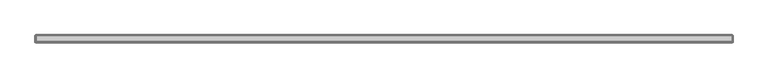
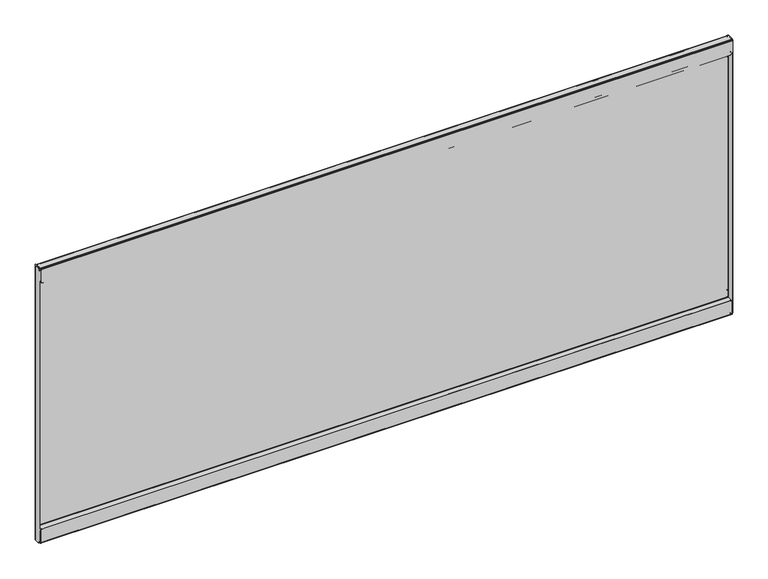
"""IFC4 building model written with IfcOpenShell, lengths in millimetres: furniture geometry."""

from ifc_helpers import new_model, si_unit, origin, place, context, project, spatial, triangles, source, transform, mapped, element, save


def furniture_d50543dd(model_context):
    return source(origin(), model_context, "Body", "Tessellation", [
        triangles([(36.8807998, -16.4083996, 220.7005912), (36.8807998, -15.6717996, 220.7005912), (36.1188005, -15.6717996, 220.4964249), (36.1188005, -16.4083996, 220.4964249), (35.5609767, -15.6717996, 219.9385919), (35.5609767, -16.4083996, 219.9385919), (35.356799, -15.6717996, 219.1765926), (35.356799, -16.4083996, 219.1765926), (35.356799, -16.4083996, 208.7372044), (35.356799, -15.6717996, 208.7372044), (35.356799, -15.8691713, 208.0006033), (35.356799, -16.5070854, 208.3688948), (35.356799, -16.4083996, 207.4613739), (35.356799, -16.7767001, 208.0992891), (35.356799, -17.1449995, 208.0006033), (35.356799, -17.1449995, 207.2640022), (1183.8940155, -15.6717996, 208.7372044), (1183.8940155, -15.8691713, 208.0006033), (1183.8940155, -16.4083996, 207.4613739), (1183.8940155, -17.1449995, 207.2640022), (1182.3699806, -16.4083996, 220.7005912), (1182.3699806, -15.6717996, 220.7005912), (1183.1319981, -15.6717996, 220.4964249), (1183.1319981, -16.4083996, 220.4964249), (1183.6898129, -15.6717996, 219.9385919), (1183.6898129, -16.4083996, 219.9385919), (1183.8940155, -15.6717996, 219.1765926), (1183.8940155, -16.4083996, 219.1765926), (1183.8940155, -16.4083996, 208.7372044), (1183.8940155, -16.5070854, 208.3688948), (1183.8940155, -16.7767001, 208.0992891), (1183.8940155, -17.1449995, 208.0006033), (35.356799, -25.4253989, 208.0006033), (35.356799, -25.4253989, 207.2640022), (35.356799, -25.7936995, 207.1653163), (35.356799, -26.162, 207.8032316), (35.356799, -26.0633142, 206.8956925), (35.356799, -26.7012295, 207.2640022), (35.356799, -26.162, 206.5274011), (35.356799, -26.8985989, 206.5274011), (1183.8940155, -25.4253989, 207.2640022), (1183.8940155, -25.7936995, 207.1653163), (1183.8940155, -26.0633142, 206.8956925), (1183.8940155, -26.162, 206.5274011), (1183.8940155, -25.4253989, 208.0006033), (1183.8940155, -26.162, 207.8032316), (1183.8940155, -26.7012295, 207.2640022), (1183.8940155, -26.8985989, 206.5274011), (35.356799, -26.162, 186.613791), (35.356799, -26.8985989, 186.613791), (35.356799, -26.7012295, 185.877208), (35.356799, -26.0633142, 186.2454995), (35.356799, -26.162, 185.3379786), (35.356799, -25.7936995, 185.9758939), (35.356799, -25.4253989, 185.1406069), (35.356799, -25.4253989, 185.877208), (1183.8940155, -26.8985989, 186.613791), (1183.8940155, -26.7012295, 185.877208), (1183.8940155, -26.162, 185.3379786), (1183.8940155, -25.4253989, 185.1406069), (1183.8940155, -26.162, 186.613791), (1183.8940155, -26.0633142, 186.2454995), (1183.8940155, -25.7936995, 185.9758939), (1183.8940155, -25.4253989, 185.877208), (35.356799, -16.4083996, 186.613791), (35.356799, -15.6717996, 186.613791), (35.356799, -15.8691713, 185.877208), (35.356799, -16.5070854, 186.2454995), (35.356799, -16.4083996, 185.3379786), (35.356799, -16.7767001, 185.9758939), (35.356799, -17.1449995, 185.877208), (35.356799, -17.1449995, 185.1406069), (1183.8940155, -15.6717996, 186.613791), (1183.8940155, -15.8691713, 185.877208), (1183.8940155, -16.4083996, 185.3379786), (1183.8940155, -17.1449995, 185.1406069), (1183.8940155, -16.4083996, 186.613791), (1183.8940155, -16.5070854, 186.2454995), (1183.8940155, -16.7767001, 185.9758939), (1183.8940155, -17.1449995, 185.877208), (35.356799, -16.4083996, 193.1416084), (35.356799, -15.6717996, 193.1416084), (35.5609767, -15.6717996, 193.9036077), (35.5609767, -16.4083996, 193.9036077), (36.1188005, -15.6717996, 194.4614224), (36.1188005, -16.4083996, 194.4614224), (36.8807998, -15.6717996, 194.6656069), (36.8807998, -16.4083996, 194.6656069), (1183.8940155, -16.4083996, 193.1416084), (1183.6898129, -16.4083996, 193.9036077), (1183.1319981, -16.4083996, 194.4614224), (1182.3699806, -16.4083996, 194.6656069), (1183.8940155, -15.6717996, 193.1416084), (1183.6898129, -15.6717996, 193.9036077), (1183.1319981, -15.6717996, 194.4614224), (1182.3699806, -15.6717996, 194.6656069), (36.1188005, -16.4083996, 630.9115625), (36.1188005, -15.6717996, 630.9115625), (36.8807998, -15.6717996, 630.7074326), (36.8807998, -16.4083996, 630.7074326), (35.5609767, -16.4083996, 631.4693773), (35.5609767, -15.6717996, 631.4693773), (35.356799, -16.4083996, 632.2313948), (35.356799, -15.6717996, 632.2313948), (35.356799, -16.5070854, 643.0390926), (35.356799, -15.8691713, 643.4073841), (35.356799, -16.4083996, 642.6708012), (35.356799, -15.6717996, 642.6708012), (35.356799, -16.7767001, 643.3086983), (35.356799, -16.4083996, 643.9465954), (35.356799, -17.1449995, 643.4073841), (35.356799, -17.1449995, 644.1439671), (1183.8940155, -15.8691713, 643.4073841), (1183.8940155, -15.6717996, 642.6708012), (1183.8940155, -16.4083996, 643.9465954), (1183.8940155, -17.1449995, 644.1439671), (1183.1319981, -16.4083996, 630.9115625), (1183.1319981, -15.6717996, 630.9115625), (1182.3699806, -15.6717996, 630.7074326), (1182.3699806, -16.4083996, 630.7074326), (1183.6898129, -16.4083996, 631.4693773), (1183.6898129, -15.6717996, 631.4693773), (1183.8940155, -16.4083996, 632.2313948), (1183.8940155, -15.6717996, 632.2313948), (1183.8940155, -16.5070854, 643.0390926), (1183.8940155, -16.4083996, 642.6708012), (1183.8940155, -16.7767001, 643.3086983), (1183.8940155, -17.1449995, 643.4073841), (35.356799, -26.162, 643.6047558), (35.356799, -25.7936995, 644.2426529), (35.356799, -25.4253989, 644.1439671), (35.356799, -25.4253989, 643.4073841), (35.356799, -26.7012295, 644.1439671), (35.356799, -26.0633142, 644.5123312), (35.356799, -26.8985989, 644.8806227), (35.356799, -26.162, 644.8806227), (1183.8940155, -25.7936995, 644.2426529), (1183.8940155, -25.4253989, 644.1439671), (1183.8940155, -26.0633142, 644.5123312), (1183.8940155, -26.162, 644.8806227), (1183.8940155, -26.162, 643.6047558), (1183.8940155, -25.4253989, 643.4073841), (1183.8940155, -26.7012295, 644.1439671), (1183.8940155, -26.8985989, 644.8806227), (35.356799, -26.0633142, 665.1625242), (35.356799, -26.7012295, 665.5308157), (35.356799, -26.162, 664.7942327), (35.356799, -26.8985989, 664.7942327), (35.356799, -25.7936995, 665.4321299), (35.356799, -26.162, 666.070027), (35.356799, -25.4253989, 665.5308157), (35.356799, -25.4253989, 666.2673986), (1183.8940155, -26.7012295, 665.5308157), (1183.8940155, -26.8985989, 664.7942327), (1183.8940155, -26.162, 666.070027), (1183.8940155, -25.4253989, 666.2673986), (1183.8940155, -26.0633142, 665.1625242), (1183.8940155, -26.162, 664.7942327), (1183.8940155, -25.7936995, 665.4321299), (1183.8940155, -25.4253989, 665.5308157), (35.356799, -16.5070854, 665.1625242), (35.356799, -15.8691713, 665.5308157), (35.356799, -16.4083996, 664.7942327), (35.356799, -15.6717996, 664.7942327), (35.356799, -16.7767001, 665.4321299), (35.356799, -16.4083996, 666.070027), (35.356799, -17.1449995, 665.5308157), (35.356799, -17.1449995, 666.2673986), (1183.8940155, -15.8691713, 665.5308157), (1183.8940155, -15.6717996, 664.7942327), (1183.8940155, -16.4083996, 666.070027), (1183.8940155, -17.1449995, 666.2673986), (1183.8940155, -16.5070854, 665.1625242), (1183.8940155, -16.4083996, 664.7942327), (1183.8940155, -16.7767001, 665.4321299), (1183.8940155, -17.1449995, 665.5308157), (35.5609767, -16.4083996, 657.5044161), (35.5609767, -15.6717996, 657.5044161), (35.356799, -15.6717996, 658.2664335), (35.356799, -16.4083996, 658.2664335), (36.1188005, -16.4083996, 656.9466013), (36.1188005, -15.6717996, 656.9466013), (36.8807998, -16.4083996, 656.7423986), (36.8807998, -15.6717996, 656.7423986), (1183.6898129, -16.4083996, 657.5044161), (1183.8940155, -16.4083996, 658.2664335), (1183.1319981, -16.4083996, 656.9466013), (1182.3699806, -16.4083996, 656.7423986), (1183.6898129, -15.6717996, 657.5044161), (1183.8940155, -15.6717996, 658.2664335), (1183.1319981, -15.6717996, 656.9466013), (1182.3699806, -15.6717996, 656.7423986), (33.2994005, -24.4602007, 667.0039816), (34.0359993, -24.4602007, 667.0039816), (33.2994005, -26.0476992, 666.5786442), (34.0359993, -26.0476992, 666.5786442), (33.2994005, -27.2098308, 665.4165058), (34.0359993, -27.2098308, 665.4165058), (33.2994005, -27.6352, 663.82903), (34.0359993, -27.6352, 663.82903), (34.0359993, -16.4338, 667.0039816), (33.2994005, -16.4338, 667.0039816), (34.1380893, -16.0528004, 667.0039816), (33.500174, -15.6844998, 667.0039816), (34.416999, -15.7738884, 667.0039816), (34.0487007, -15.1359743, 667.0039816), (34.7980009, -14.9351996, 667.0039816), (34.7980009, -15.6717996, 667.0039816), (34.7980009, -16.4338, 667.0039816), (34.7980009, -16.4338, 666.2673986), (34.7980009, -27.0763996, 667.0039816), (34.7980009, -27.0763996, 666.2673986), (34.7980009, -27.4573992, 666.1652973), (34.7980009, -27.8256998, 666.8031944), (34.7980009, -27.7363112, 665.8863899), (34.7980009, -28.3742265, 666.2546814), (34.7980009, -27.8383989, 665.5053812), (34.7980009, -28.575, 665.5053812), (34.7980009, -28.575, 644.77903), (34.7980009, -27.8383989, 644.77903), (35.2233701, -27.8383989, 643.1914816), (35.2233701, -28.575, 643.1914816), (36.3854994, -27.8383989, 642.0293432), (36.3854994, -28.575, 642.0293432), (37.9730001, -27.8383989, 641.6040058), (37.9730001, -28.575, 641.6040058), (1183.8940155, -27.8383989, 644.77903), (1183.4686054, -27.8383989, 643.1914816), (1182.3064671, -27.8383989, 642.0293432), (1180.7189913, -27.8383989, 641.6040058), (1183.8940155, -28.575, 644.77903), (1183.4686054, -28.575, 643.1914816), (1182.3064671, -28.575, 642.0293432), (1180.7189913, -28.575, 641.6040058), (1183.8940155, -27.0763996, 666.2673986), (1183.8940155, -27.4573992, 666.1652973), (1183.8940155, -27.7363112, 665.8863899), (1183.8940155, -27.8383989, 665.5053812), (1183.8940155, -27.0763996, 667.0039816), (1183.8940155, -27.8256998, 666.8031944), (1183.8940155, -28.3742265, 666.2546814), (1183.8940155, -28.575, 665.5053812), (1183.8940155, -16.4338, 666.2673986), (1183.8940155, -16.4338, 667.0039816), (1183.8940155, -16.0676296, 666.9585629), (1183.8940155, -16.2476116, 666.2442896), (1183.8940155, -15.9498418, 666.0940081), (1183.8940155, -15.482014, 666.6629414), (1183.8940155, -15.7448079, 665.8308701), (1183.8940155, -15.0787819, 666.1455311), (1183.8940155, -15.6717996, 665.5053812), (1183.8940155, -14.9351996, 665.5053812), (34.7980009, -16.0676296, 666.9585629), (34.7980009, -16.2476116, 666.2442896), (34.7980009, -15.9498418, 666.0940081), (34.7980009, -15.482014, 666.6629414), (34.7980009, -15.7448079, 665.8308701), (34.7980009, -15.0787819, 666.1455311), (34.7980009, -15.6717996, 665.5053812), (34.7980009, -14.9351996, 665.5053812), (1183.8940155, -15.6717996, 185.9026062), (34.7980009, -15.6717996, 185.9026062), (1183.8940155, -14.9351996, 185.9026062), (34.7980009, -14.9351996, 185.9026062), (1183.8940155, -14.9351996, 667.0039816), (1183.8940155, -15.6717996, 667.0039816), (1185.3926159, -16.4338, 667.0039816), (1184.6560329, -16.4338, 667.0039816), (1184.5539316, -16.0528004, 667.0039816), (1185.1918287, -15.6844998, 667.0039816), (1184.2750242, -15.7738884, 667.0039816), (1184.6433157, -15.1359743, 667.0039816), (1184.6560329, -16.4338, 184.4040058), (1184.5539316, -16.0528004, 184.4040058), (1184.2750242, -15.7738884, 184.4040058), (1183.8940155, -15.6717996, 184.4040058), (1185.3926159, -16.4338, 184.4040058), (1185.1918287, -15.6844998, 184.4040058), (1184.6433157, -15.1359743, 184.4040058), (1183.8940155, -14.9351996, 184.4040058), (1183.8940155, -16.0861389, 184.4448827), (1183.8940155, -16.2570235, 185.1613905), (1183.8940155, -15.9548492, 185.309928), (1183.8940155, -15.4918619, 184.7370342), (1183.8940155, -15.7461932, 185.5742105), (1183.8940155, -15.081507, 185.2567699), (34.7980009, -16.2570235, 185.1613905), (34.7980009, -15.9548492, 185.309928), (34.7980009, -15.7461932, 185.5742105), (34.7980009, -15.081507, 185.2567699), (34.7980009, -15.4918619, 184.7370342), (34.7980009, -16.0861389, 184.4448827), (1183.8940155, -16.4338, 184.4040058), (34.7980009, -16.4338, 184.4040058), (34.7980009, -16.4338, 185.1406069), (1183.8940155, -16.4338, 185.1406069), (1183.8940155, -27.0763996, 185.1406069), (1183.8940155, -27.0763996, 184.4040058), (34.7980009, -27.0763996, 185.1406069), (34.7980009, -27.0763996, 184.4040058), (34.7980009, -27.8383989, 185.9026062), (34.7980009, -28.575, 185.9026062), (34.7980009, -28.3742265, 185.153306), (34.7980009, -27.7363112, 185.5215975), (34.7980009, -27.8256998, 184.6047748), (34.7980009, -27.4573992, 185.2426901), (1183.8940155, -27.8383989, 185.9026062), (1183.8940155, -27.7363112, 185.5215975), (1183.8940155, -27.4573992, 185.2426901), (1183.8940155, -28.575, 185.9026062), (1183.8940155, -28.3742265, 185.153306), (1183.8940155, -27.8256998, 184.6047748), (1185.3926159, -24.4602007, 184.4040058), (1184.6560329, -24.4602007, 184.4040058), (1185.3926159, -26.0476992, 184.8293614), (1184.6560329, -26.0476992, 184.8293614), (1185.3926159, -27.2098308, 185.9914998), (1184.6560329, -27.2098308, 185.9914998), (1185.3926159, -27.6352, 187.5789937), (1184.6560329, -27.6352, 187.5789937), (1184.6560329, -27.6352, 663.82903), (1184.6560329, -27.2098308, 665.4165058), (1184.6560329, -26.0476992, 666.5786442), (1184.6560329, -24.4602007, 667.0039816), (1185.3926159, -27.6352, 663.82903), (1185.3926159, -27.2098308, 665.4165058), (1185.3926159, -26.0476992, 666.5786442), (1185.3926159, -24.4602007, 667.0039816), (1183.8940155, -28.575, 206.6289937), (1183.8940155, -27.8383989, 206.6289937), (1180.7189913, -27.8383989, 209.8039998), (37.9730001, -27.8383989, 209.8039998), (37.9730001, -28.575, 209.8039998), (1180.7189913, -28.575, 209.8039998), (36.3854994, -27.8383989, 209.378626), (1182.3064671, -27.8383989, 209.378626), (35.2233701, -27.8383989, 208.2165058), (1183.4686054, -27.8383989, 208.2165058), (34.7980009, -27.8383989, 206.6289937), (36.3854994, -28.575, 209.378626), (35.2233701, -28.575, 208.2165058), (34.7980009, -28.575, 206.6289937), (1182.3064671, -28.575, 209.378626), (1183.4686054, -28.575, 208.2165058), (34.0359993, -27.6352, 187.5789937), (34.0359993, -27.2098308, 185.9914998), (34.0359993, -26.0476992, 184.8293614), (34.0359993, -24.4602007, 184.4040058), (33.2994005, -27.6352, 187.5789937), (33.2994005, -27.2098308, 185.9914998), (33.2994005, -26.0476992, 184.8293614), (33.2994005, -24.4602007, 184.4040058), (34.7980009, -15.6717996, 184.4040058), (34.416999, -15.7738884, 184.4040058), (34.1380893, -16.0528004, 184.4040058), (34.0359993, -16.4338, 184.4040058), (34.7980009, -14.9351996, 184.4040058), (34.0487007, -15.1359743, 184.4040058), (33.500174, -15.6844998, 184.4040058), (33.2994005, -16.4338, 184.4040058)], [[1, 2, 3], [1, 3, 4], [4, 3, 5], [4, 5, 6], [6, 5, 7], [6, 7, 8], [9, 10, 11], [9, 11, 12], [12, 11, 13], [12, 13, 14], [14, 13, 15], [13, 16, 15], [10, 17, 18], [10, 18, 11], [11, 18, 19], [11, 19, 13], [13, 19, 20], [13, 20, 16], [21, 22, 23], [21, 23, 24], [24, 23, 25], [24, 25, 26], [26, 25, 27], [26, 27, 28], [29, 17, 18], [29, 18, 30], [30, 18, 19], [30, 19, 31], [31, 19, 32], [19, 20, 32], [29, 9, 12], [29, 12, 30], [30, 12, 14], [30, 14, 31], [31, 14, 15], [31, 15, 32], [33, 34, 35], [33, 35, 36], [36, 35, 37], [36, 37, 38], [38, 37, 39], [38, 39, 40], [34, 41, 42], [34, 42, 35], [35, 42, 43], [35, 43, 37], [37, 43, 44], [37, 44, 39], [41, 45, 46], [41, 46, 42], [42, 46, 47], [42, 47, 43], [43, 47, 44], [47, 48, 44], [45, 33, 36], [45, 36, 46], [46, 36, 38], [46, 38, 47], [47, 38, 40], [47, 40, 48], [49, 50, 51], [49, 51, 52], [52, 51, 53], [52, 53, 54], [54, 53, 55], [54, 55, 56], [50, 57, 58], [50, 58, 51], [51, 58, 59], [51, 59, 53], [53, 59, 60], [53, 60, 55], [57, 61, 58], [61, 62, 58], [58, 62, 59], [62, 63, 59], [59, 63, 64], [59, 64, 60], [61, 49, 52], [61, 52, 62], [62, 52, 54], [62, 54, 63], [63, 54, 56], [63, 56, 64], [65, 66, 67], [65, 67, 68], [68, 67, 69], [68, 69, 70], [70, 69, 71], [69, 72, 71], [66, 73, 74], [66, 74, 67], [67, 74, 75], [67, 75, 69], [69, 75, 76], [69, 76, 72], [73, 77, 74], [77, 78, 74], [74, 78, 75], [78, 79, 75], [75, 79, 80], [75, 80, 76], [77, 65, 68], [77, 68, 78], [78, 68, 70], [78, 70, 79], [79, 70, 71], [79, 71, 80], [1, 21, 24], [1, 24, 4], [4, 24, 26], [4, 26, 6], [6, 26, 28], [6, 28, 8], [22, 2, 3], [22, 3, 23], [23, 3, 5], [23, 5, 25], [25, 5, 7], [25, 7, 27], [81, 82, 83], [81, 83, 84], [84, 83, 85], [84, 85, 86], [86, 85, 87], [86, 87, 88], [81, 89, 90], [81, 90, 84], [84, 90, 91], [84, 91, 86], [86, 91, 92], [86, 92, 88], [89, 93, 94], [89, 94, 90], [90, 94, 95], [90, 95, 91], [91, 95, 96], [91, 96, 92], [93, 82, 83], [93, 83, 94], [94, 83, 85], [94, 85, 95], [95, 85, 87], [95, 87, 96], [27, 17, 10], [27, 10, 7], [82, 66, 73], [82, 73, 93], [29, 17, 28], [17, 27, 28], [28, 29, 9], [28, 9, 8], [8, 7, 10], [8, 10, 9], [15, 16, 33], [16, 34, 33], [33, 45, 32], [33, 32, 15], [40, 39, 49], [40, 49, 50], [50, 40, 48], [50, 48, 57], [20, 32, 45], [20, 45, 41], [44, 48, 57], [44, 57, 61], [64, 60, 76], [64, 76, 80], [77, 73, 93], [77, 93, 89], [92, 96, 87], [92, 87, 88], [20, 41, 34], [20, 34, 16], [49, 39, 44], [49, 44, 61], [64, 80, 71], [64, 71, 56], [76, 60, 55], [76, 55, 72], [81, 82, 66], [81, 66, 65], [71, 72, 56], [72, 55, 56], [97, 98, 99], [97, 99, 100], [101, 102, 98], [101, 98, 97], [103, 104, 102], [103, 102, 101], [105, 106, 107], [106, 108, 107], [109, 110, 105], [110, 106, 105], [111, 112, 110], [111, 110, 109], [106, 113, 114], [106, 114, 108], [110, 115, 113], [110, 113, 106], [112, 116, 115], [112, 115, 110], [117, 118, 119], [117, 119, 120], [121, 122, 118], [121, 118, 117], [123, 124, 122], [123, 122, 121], [125, 113, 126], [113, 114, 126], [127, 115, 125], [115, 113, 125], [128, 116, 115], [128, 115, 127], [125, 105, 107], [125, 107, 126], [127, 109, 105], [127, 105, 125], [128, 111, 109], [128, 109, 127], [129, 130, 131], [129, 131, 132], [133, 134, 129], [134, 130, 129], [135, 136, 133], [136, 134, 133], [130, 137, 138], [130, 138, 131], [134, 139, 137], [134, 137, 130], [136, 140, 139], [136, 139, 134], [137, 141, 142], [137, 142, 138], [139, 143, 141], [139, 141, 137], [140, 144, 143], [140, 143, 139], [141, 129, 132], [141, 132, 142], [143, 133, 129], [143, 129, 141], [144, 135, 133], [144, 133, 143], [145, 146, 147], [146, 148, 147], [149, 150, 145], [150, 146, 145], [151, 152, 150], [151, 150, 149], [146, 153, 154], [146, 154, 148], [150, 155, 153], [150, 153, 146], [152, 156, 155], [152, 155, 150], [153, 157, 158], [153, 158, 154], [155, 159, 157], [155, 157, 153], [156, 160, 159], [156, 159, 155], [157, 145, 147], [157, 147, 158], [159, 149, 145], [159, 145, 157], [160, 151, 149], [160, 149, 159], [161, 162, 163], [162, 164, 163], [165, 166, 161], [166, 162, 161], [167, 168, 166], [167, 166, 165], [162, 169, 170], [162, 170, 164], [166, 171, 169], [166, 169, 162], [168, 172, 171], [168, 171, 166], [169, 173, 174], [169, 174, 170], [171, 175, 173], [171, 173, 169], [172, 176, 175], [172, 175, 171], [173, 161, 163], [173, 163, 174], [175, 165, 161], [175, 161, 173], [176, 167, 165], [176, 165, 175], [97, 117, 120], [97, 120, 100], [101, 121, 117], [101, 117, 97], [103, 123, 121], [103, 121, 101], [118, 98, 99], [118, 99, 119], [122, 102, 98], [122, 98, 118], [124, 104, 102], [124, 102, 122], [177, 178, 179], [177, 179, 180], [181, 182, 178], [181, 178, 177], [183, 184, 182], [183, 182, 181], [177, 185, 186], [177, 186, 180], [181, 187, 185], [181, 185, 177], [183, 188, 187], [183, 187, 181], [185, 189, 190], [185, 190, 186], [187, 191, 189], [187, 189, 185], [188, 192, 191], [188, 191, 187], [189, 178, 179], [189, 179, 190], [191, 182, 178], [191, 178, 189], [192, 184, 182], [192, 182, 191], [104, 108, 114], [104, 114, 124], [190, 170, 164], [190, 164, 179], [123, 124, 114], [123, 114, 126], [103, 107, 126], [103, 126, 123], [107, 108, 104], [107, 104, 103], [132, 131, 112], [132, 112, 111], [111, 128, 142], [111, 142, 132], [148, 147, 136], [148, 136, 135], [154, 144, 135], [154, 135, 148], [138, 142, 128], [138, 128, 116], [158, 154, 144], [158, 144, 140], [176, 172, 156], [176, 156, 160], [186, 190, 170], [186, 170, 174], [183, 184, 192], [183, 192, 188], [112, 131, 138], [112, 138, 116], [158, 140, 136], [158, 136, 147], [151, 167, 176], [151, 176, 160], [168, 152, 156], [168, 156, 172], [163, 164, 179], [163, 179, 180], [151, 152, 168], [151, 168, 167], [193, 194, 195], [194, 196, 195], [195, 196, 197], [196, 198, 197], [197, 198, 199], [198, 200, 199], [201, 202, 203], [202, 204, 203], [203, 204, 205], [204, 206, 205], [205, 206, 207], [205, 207, 208], [201, 202, 194], [202, 193, 194], [209, 210, 211], [210, 212, 211], [211, 212, 213], [211, 213, 214], [214, 213, 215], [214, 215, 216], [216, 215, 217], [216, 217, 218], [219, 220, 221], [219, 221, 222], [222, 221, 223], [222, 223, 224], [224, 223, 225], [224, 225, 226], [220, 227, 228], [220, 228, 221], [221, 228, 229], [221, 229, 223], [223, 229, 230], [223, 230, 225], [227, 231, 228], [231, 232, 228], [228, 232, 229], [232, 233, 229], [229, 233, 230], [233, 234, 230], [231, 219, 222], [231, 222, 232], [232, 222, 224], [232, 224, 233], [233, 224, 226], [233, 226, 234], [225, 226, 234], [225, 234, 230], [212, 235, 236], [212, 236, 213], [213, 236, 237], [213, 237, 215], [215, 237, 238], [215, 238, 217], [235, 239, 240], [235, 240, 236], [236, 240, 237], [240, 241, 237], [237, 241, 238], [241, 242, 238], [239, 211, 214], [239, 214, 240], [240, 214, 216], [240, 216, 241], [241, 216, 218], [241, 218, 242], [210, 212, 235], [210, 235, 243], [243, 244, 239], [243, 239, 235], [239, 244, 209], [239, 209, 211], [218, 217, 220], [218, 220, 219], [220, 227, 238], [220, 238, 217], [218, 219, 231], [218, 231, 242], [242, 238, 227], [242, 227, 231], [245, 246, 247], [245, 247, 248], [248, 247, 249], [248, 249, 250], [250, 249, 251], [250, 251, 252], [245, 244, 246], [244, 243, 246], [244, 245, 253], [244, 253, 209], [209, 210, 254], [209, 254, 253], [253, 254, 255], [253, 255, 256], [256, 255, 257], [256, 257, 258], [258, 257, 259], [258, 259, 260], [259, 251, 249], [259, 249, 257], [257, 249, 247], [257, 247, 255], [255, 247, 246], [255, 246, 254], [252, 260, 258], [252, 258, 250], [250, 258, 256], [250, 256, 248], [248, 256, 253], [248, 253, 245], [259, 251, 261], [259, 261, 262], [260, 252, 263], [260, 263, 264], [259, 260, 264], [259, 264, 262], [252, 251, 261], [252, 261, 263], [251, 252, 265], [251, 265, 266], [267, 268, 269], [267, 269, 270], [270, 269, 271], [270, 271, 272], [272, 271, 266], [272, 266, 265], [268, 273, 274], [268, 274, 269], [269, 274, 275], [269, 275, 271], [271, 275, 276], [271, 276, 266], [277, 273, 274], [277, 274, 278], [278, 274, 275], [278, 275, 279], [279, 275, 276], [279, 276, 280], [277, 267, 270], [277, 270, 278], [278, 270, 272], [278, 272, 279], [279, 272, 265], [279, 265, 280], [261, 263, 280], [261, 280, 276], [281, 282, 283], [281, 283, 284], [284, 283, 285], [284, 285, 286], [286, 285, 261], [286, 261, 263], [282, 287, 288], [282, 288, 283], [283, 288, 289], [283, 289, 285], [285, 289, 262], [285, 262, 261], [262, 264, 290], [262, 290, 289], [289, 290, 291], [289, 291, 288], [288, 291, 292], [288, 292, 287], [264, 263, 286], [264, 286, 290], [290, 286, 284], [290, 284, 291], [291, 284, 281], [291, 281, 292], [281, 293, 294], [281, 294, 292], [295, 287, 294], [287, 292, 294], [295, 287, 282], [295, 282, 296], [282, 296, 281], [296, 293, 281], [297, 298, 293], [297, 293, 296], [296, 295, 297], [295, 299, 297], [293, 294, 298], [294, 300, 298], [301, 302, 303], [301, 303, 304], [304, 303, 305], [304, 305, 306], [306, 305, 300], [306, 300, 299], [301, 307, 308], [301, 308, 304], [304, 308, 309], [304, 309, 306], [306, 309, 297], [306, 297, 299], [310, 302, 303], [310, 303, 311], [311, 303, 305], [311, 305, 312], [312, 305, 300], [312, 300, 298], [310, 307, 311], [307, 308, 311], [311, 308, 312], [308, 309, 312], [312, 309, 297], [312, 297, 298], [313, 314, 315], [314, 316, 315], [315, 316, 317], [316, 318, 317], [317, 318, 319], [318, 320, 319], [320, 321, 322], [320, 322, 318], [318, 322, 323], [318, 323, 316], [316, 323, 324], [316, 324, 314], [321, 325, 326], [321, 326, 322], [322, 326, 327], [322, 327, 323], [323, 327, 328], [323, 328, 324], [320, 319, 325], [320, 325, 321], [268, 324, 273], [324, 314, 273], [273, 314, 313], [273, 313, 277], [277, 313, 328], [277, 328, 267], [267, 268, 328], [268, 324, 328], [310, 307, 329], [307, 330, 329], [331, 332, 333], [331, 333, 334], [331, 332, 335], [331, 335, 336], [336, 335, 337], [336, 337, 338], [338, 337, 339], [338, 339, 330], [332, 333, 335], [333, 340, 335], [335, 340, 337], [340, 341, 337], [337, 341, 339], [341, 342, 339], [333, 334, 343], [333, 343, 340], [340, 343, 344], [340, 344, 341], [341, 344, 329], [341, 329, 342], [334, 331, 336], [334, 336, 343], [343, 336, 338], [343, 338, 344], [344, 338, 330], [344, 330, 329], [200, 345, 346], [200, 346, 198], [198, 346, 347], [198, 347, 196], [196, 347, 348], [196, 348, 194], [345, 349, 350], [345, 350, 346], [346, 350, 351], [346, 351, 347], [347, 351, 352], [347, 352, 348], [349, 199, 197], [349, 197, 350], [350, 197, 195], [350, 195, 351], [351, 195, 193], [351, 193, 352], [200, 199, 349], [200, 349, 345], [208, 207, 260], [208, 260, 259], [208, 353, 354], [208, 354, 205], [205, 354, 355], [205, 355, 203], [203, 355, 356], [203, 356, 201], [353, 357, 358], [353, 358, 354], [354, 358, 359], [354, 359, 355], [355, 359, 356], [359, 360, 356], [262, 264, 357], [262, 357, 353], [357, 207, 206], [357, 206, 358], [358, 206, 204], [358, 204, 359], [359, 204, 202], [359, 202, 360], [201, 194, 356], [194, 348, 356], [202, 193, 360], [193, 352, 360], [307, 330, 339], [307, 339, 301], [301, 302, 342], [301, 342, 339], [310, 329, 342], [310, 342, 302], [319, 325, 326], [319, 326, 317], [326, 317, 315], [326, 315, 327], [315, 327, 328], [315, 328, 313]], closed=False),
    ])


if __name__ == "__main__":
    model = new_model("IFC4")
    model_context = context("Model", 3, world=origin())
    ifc_project = project(units=[si_unit("LENGTHUNIT", "METRE", prefix="MILLI")], contexts=[model_context])
    site = spatial("IfcSite", under=ifc_project)
    building = spatial("IfcBuilding", under=site)
    placement = place(None, origin())
    furniture_shape = furniture_d50543dd(model_context)
    element("IfcFurniture", 1, at=placement, inside=building, context=model_context, shape_type="MappedRepresentation", body=[
        mapped(furniture_shape, transform((0.0, 0.0, 0.0), x_axis=(1.0, 0.0, 0.0), y_axis=(0.0, 1.0, 0.0), z_axis=(0.0, 0.0, 1.0))),
    ])
    save(model, "model.ifc")
